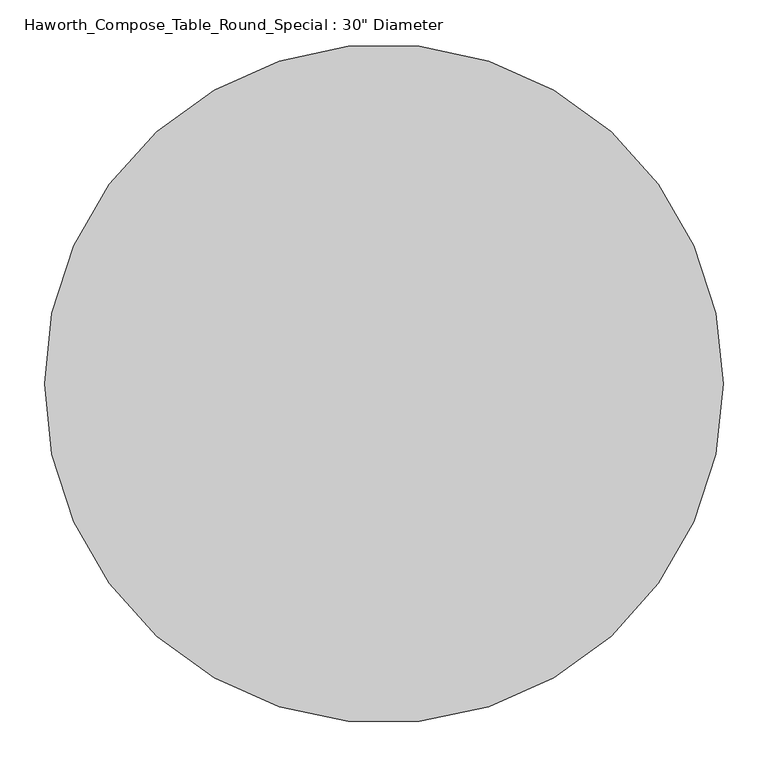
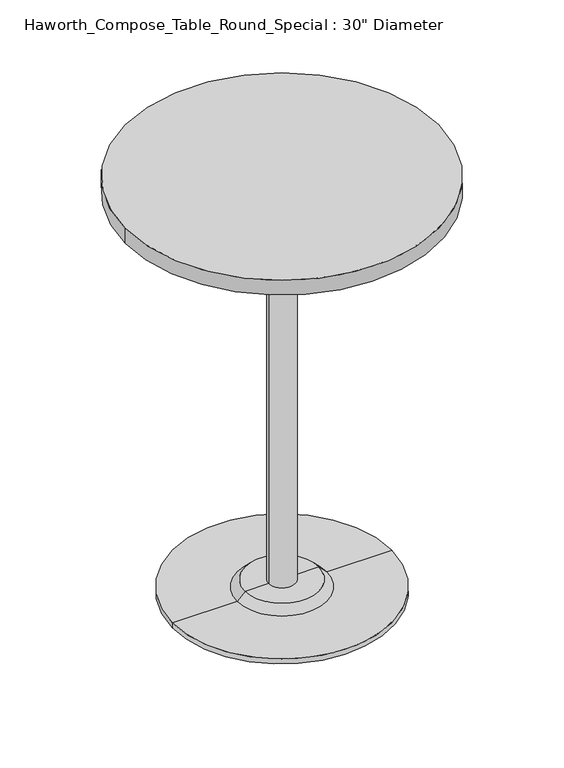
"""IFC4 building model written with IfcOpenShell, lengths in millimetres: furniture geometry."""

from ifc_helpers import new_model, si_unit, point, frame, frame_2d, origin, place, context, project, spatial, polyline, circle_curve, trimmed, segment, composite_curve, outline, extrude, source, transform, mapped, element, save
from ifc_brep_helpers import plane_surface, cylinder_surface, revolved_surface, advanced_brep


def furniture_5b261bd8(model_context):
    return source(origin(), model_context, "Body", "SolidModel", [
        advanced_brep(
        [(32.573978, 139.7, 1028.7), (-32.573978, 139.7, 1028.7), (0.0, 139.7, 1028.7), (32.573978, 139.7, 31.75), (-32.573978, 139.7, 31.75), (89.723978, 139.7, 31.75), (-89.723978, 139.7, 31.75), (266.7, 139.7, 0.0), (-266.7, 139.7, 0.0), (-266.7, 139.7, 12.7), (266.7, 139.7, 12.7), (0.0, 139.7, 0.0), (108.773978, 139.7, 12.7), (-108.773978, 139.7, 12.7)],
        [
            (0, 1, circle_curve(frame((0.0, 139.7, 1028.7), z_axis=(0.0, 0.0, 1.0), x_axis=(-1.0, 0.0, 0.0)), 32.573978)),
            (1, 2),
            (2, 0),
            (1, 0, circle_curve(frame((0.0, 139.7, 1028.7), z_axis=(0.0, 0.0, 1.0), x_axis=(-1.0, 0.0, 0.0)), 32.573978)),
            (3, 4, circle_curve(frame((0.0, 139.7, 31.75), z_axis=(0.0, 0.0, 1.0), x_axis=(-1.0, 0.0, 0.0)), 32.573978)),
            (4, 1),
            (0, 3),
            (4, 3, circle_curve(frame((0.0, 139.7, 31.75), z_axis=(0.0, 0.0, 1.0), x_axis=(-1.0, 0.0, 0.0)), 32.573978)),
            (5, 6, circle_curve(frame((0.0, 139.7, 31.75), z_axis=(0.0, 0.0, 1.0), x_axis=(-1.0, 0.0, 0.0)), 89.723978)),
            (6, 4),
            (3, 5),
            (6, 5, circle_curve(frame((0.0, 139.7, 31.75), z_axis=(0.0, 0.0, 1.0), x_axis=(-1.0, 0.0, 0.0)), 89.723978)),
            (7, 8, circle_curve(frame((0.0, 139.7, 0.0), z_axis=(0.0, 0.0, 1.0), x_axis=(-1.0, 0.0, 0.0)), 266.7)),
            (8, 9),
            (9, 10, circle_curve(frame((0.0, 139.7, 12.7), z_axis=(0.0, 0.0, -1.0), x_axis=(-1.0, 0.0, 0.0)), 266.7)),
            (10, 7),
            (8, 7, circle_curve(frame((0.0, 139.7, 0.0), z_axis=(0.0, 0.0, 1.0), x_axis=(-1.0, 0.0, 0.0)), 266.7)),
            (10, 9, circle_curve(frame((0.0, 139.7, 12.7), z_axis=(0.0, 0.0, -1.0), x_axis=(-1.0, 0.0, 0.0)), 266.7)),
            (11, 8),
            (7, 11),
            (12, 13, circle_curve(frame((0.0, 139.7, 12.7), z_axis=(0.0, 0.0, 1.0), x_axis=(-1.0, 0.0, 0.0)), 108.773978)),
            (13, 6),
            (5, 12),
            (13, 12, circle_curve(frame((0.0, 139.7, 12.7), z_axis=(0.0, 0.0, 1.0), x_axis=(-1.0, 0.0, 0.0)), 108.773978)),
            (9, 13),
            (12, 10),
        ],
        [
            plane_surface(frame((0.0, 139.7, 1028.7), z_axis=(0.0, 0.0, 1.0), x_axis=(-1.0, 0.0, 0.0))),
            cylinder_surface(frame((0.0, 139.7, 1211.885757), z_axis=(0.0, 0.0, -1.0), x_axis=(-1.0, 0.0, 0.0)), 32.573978),
            plane_surface(frame((0.0, 139.7, 31.75), z_axis=(0.0, 0.0, 1.0), x_axis=(-1.0, 0.0, 0.0))),
            cylinder_surface(frame((0.0, 139.7, 1211.885757), z_axis=(0.0, 0.0, -1.0), x_axis=(-1.0, 0.0, 0.0)), 266.7),
            plane_surface(frame((0.0, 139.7, 0.0), z_axis=(0.0, 0.0, -1.0), x_axis=(-1.0, 0.0, 0.0))),
            revolved_surface(polyline([(-89.723978, 139.7, 31.75), (-108.773978, 139.7, 12.7)]), (0.0, 139.7, 1211.885757), (0.0, 0.0, -1.0)),
            plane_surface(frame((0.0, 139.7, 12.7), z_axis=(0.0, 0.0, 1.0), x_axis=(-1.0, 0.0, 0.0))),
        ],
        [
            (0, [[1, 2, 3]]),
            (0, [[4, -3, -2]]),
            (1, [[5, 6, -1, 7]]),
            (1, [[8, -7, -4, -6]]),
            (2, [[9, 10, -5, 11]]),
            (2, [[12, -11, -8, -10]]),
            (3, [[13, 14, 15, 16]]),
            (3, [[17, -16, 18, -14]]),
            (4, [[19, -13, 20]]),
            (4, [[-20, -17, -19]]),
            (5, [[21, 22, -9, 23]]),
            (5, [[24, -23, -12, -22]]),
            (6, [[-15, 25, -21, 26]]),
            (6, [[-18, -26, -24, -25]]),
        ],
    ),
        extrude(outline(composite_curve([segment(trimmed(circle_curve(frame_2d((0.0, 139.7)), 381.0), [point((-381.0, 139.7))], [point((381.0, 139.7))], False, "CARTESIAN"), True, "CONTINUOUS"), segment(trimmed(circle_curve(frame_2d((0.0, 139.7)), 381.0), [point((381.0, 139.7))], [point((-381.0, 139.7))], False, "CARTESIAN"), True, "CONTINUOUS")], self_intersect=False)), frame((0.0, 0.0, 1028.7), z_axis=(0.0, 0.0, 1.0), x_axis=(1.0, 0.0, 0.0)), (0.0, 0.0, 1.0), 38.1),
    ])


if __name__ == "__main__":
    model = new_model("IFC4")
    model_context = context("Model", 3, world=origin())
    ifc_project = project(units=[si_unit("LENGTHUNIT", "METRE", prefix="MILLI")], contexts=[model_context])
    site = spatial("IfcSite", under=ifc_project)
    building = spatial("IfcBuilding", under=site)
    placement = place(None, origin())
    furniture_shape = furniture_5b261bd8(model_context)
    element("IfcFurniture", 1, ObjectType="Haworth_Compose_Table_Round_Special : 30\" Diameter", at=placement, inside=building, context=model_context, shape_type="MappedRepresentation", body=[
        mapped(furniture_shape, transform((0.0, 0.0, 0.0), x_axis=(1.0, 0.0, 0.0), y_axis=(0.0, 1.0, 0.0), z_axis=(0.0, 0.0, 1.0))),
    ])
    save(model, "model.ifc")
